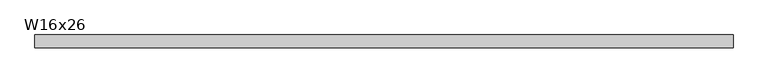
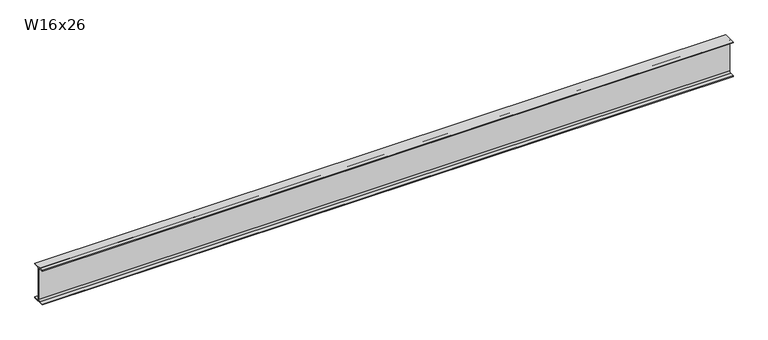
"""IFC4 building model written with IfcOpenShell, lengths in millimetres: beam geometry, W16x26."""

from ifc_helpers import new_model, si_unit, point, frame, frame_2d, origin, place, context, project, spatial, polyline, circle_curve, trimmed, segment, composite_curve, outline, extrude, source, transform, mapped, element, save


def w16x26_6c69cd78(model_context):
    return source(origin(), model_context, "Body", "SweptSolid", [
        extrude(outline(composite_curve([segment(polyline([(69.85, -190.627), (69.85, -199.39), (-69.85, -199.39), (-69.85, -190.627), (-21.3995, -190.627)]), True, "CONTINUOUS"), segment(trimmed(circle_curve(frame_2d((-21.3995, -172.4025)), 18.2245), [point((-21.3995, -190.627))], [point((-3.175, -172.4025))], True, "CARTESIAN"), True, "CONTINUOUS"), segment(polyline([(-3.175, -172.4025), (-3.175, 172.4025)]), True, "CONTINUOUS"), segment(trimmed(circle_curve(frame_2d((-21.3995, 172.4025)), 18.2245), [point((-3.175, 172.4025))], [point((-21.3995, 190.627))], True, "CARTESIAN"), True, "CONTINUOUS"), segment(polyline([(-21.3995, 190.627), (-69.85, 190.627), (-69.85, 199.39), (69.85, 199.39), (69.85, 190.627), (21.3995, 190.627)]), True, "CONTINUOUS"), segment(trimmed(circle_curve(frame_2d((21.3995, 172.4025)), 18.2245), [point((21.3995, 190.627))], [point((3.175, 172.4025))], True, "CARTESIAN"), True, "CONTINUOUS"), segment(polyline([(3.175, 172.4025), (3.175, -172.4025)]), True, "CONTINUOUS"), segment(trimmed(circle_curve(frame_2d((21.3995, -172.4025)), 18.2245), [point((3.175, -172.4025))], [point((21.3995, -190.627))], True, "CARTESIAN"), True, "CONTINUOUS"), segment(polyline([(21.3995, -190.627), (69.85, -190.627)]), True, "CONTINUOUS")], self_intersect=False)), frame((-3773.6116591, 0.0, 0.0), z_axis=(1.0, 0.0, 0.0), x_axis=(0.0, 1.0, 0.0)), (0.0, 0.0, 1.0), 7559.9233183),
    ])


if __name__ == "__main__":
    model = new_model("IFC4")
    model_context = context("Model", 3, world=origin())
    ifc_project = project(units=[si_unit("LENGTHUNIT", "METRE", prefix="MILLI")], contexts=[model_context])
    site = spatial("IfcSite", under=ifc_project)
    building = spatial("IfcBuilding", under=site)
    placement = place(None, origin())
    w16x26_shape = w16x26_6c69cd78(model_context)
    element("IfcBeam", 1, ObjectType="W16x26", at=placement, inside=building, context=model_context, shape_type="MappedRepresentation", body=[
        mapped(w16x26_shape, transform((0.0, 0.0, 0.0), x_axis=(1.0, 0.0, 0.0), y_axis=(0.0, 1.0, 0.0), z_axis=(0.0, 0.0, 1.0))),
    ])
    save(model, "model.ifc")
